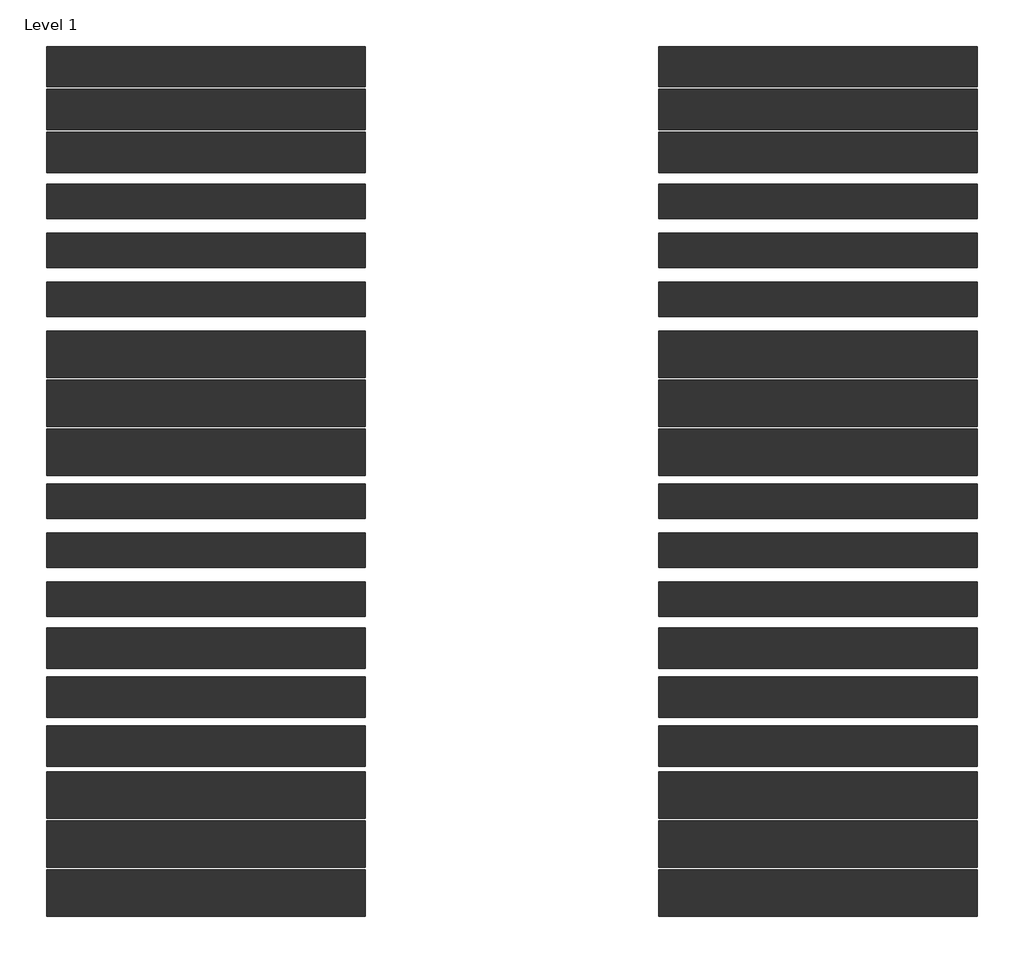
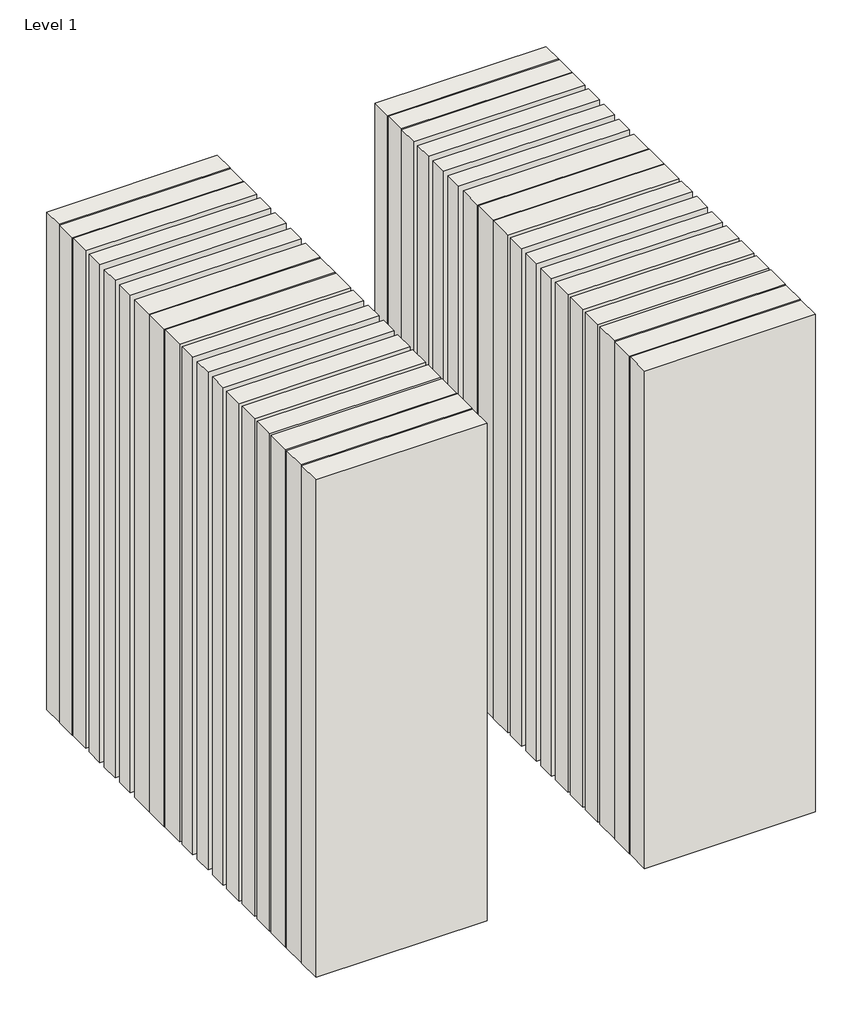
# One storey: 36 walls.
"""IFC4 building model written with IfcOpenShell, lengths in millimetres."""

from ifc_helpers import new_model, si_unit, origin, origin_with_axes, place, context, project, spatial, polyline, outline, extrude, element, save

model = new_model("IFC4")

# Units and contexts
model_context = context("Model", 3, world=origin())
ifc_project = project(units=[si_unit("LENGTHUNIT", "METRE", prefix="MILLI")], contexts=[model_context])

# Site, building, storey
site = spatial("IfcSite", under=ifc_project)
building = spatial("IfcBuilding", under=site)
storey = spatial("IfcBuildingStorey", under=building, Name="Level 1", Elevation=0.0)

# Walls
placement = place(None, origin())
element("IfcWall", 1, at=placement, inside=storey, context=model_context, shape_type="SweptSolid", body=[
    extrude(outline(polyline([(-16904.1464237, 3221.4042935), (-19504.1464237, 3221.4042935), (-19504.1464237, 3551.4042935), (-16904.1464237, 3551.4042935), (-16904.1464237, 3221.4042935)])), origin_with_axes(), (0.0, 0.0, 1.0), 8000.0),
])
element("IfcWall", 2, at=placement, inside=storey, context=model_context, shape_type="SweptSolid", body=[
    extrude(outline(polyline([(-16904.1464237, 2871.4042935), (-19504.1464237, 2871.4042935), (-19504.1464237, 3201.4042935), (-16904.1464237, 3201.4042935), (-16904.1464237, 2871.4042935)])), origin_with_axes(), (0.0, 0.0, 1.0), 8000.0),
])
element("IfcWall", 3, at=placement, inside=storey, context=model_context, shape_type="SweptSolid", body=[
    extrude(outline(polyline([(-16904.1464237, 2521.4042935), (-19504.1464237, 2521.4042935), (-19504.1464237, 2851.4042935), (-16904.1464237, 2851.4042935), (-16904.1464237, 2521.4042935)])), origin_with_axes(), (0.0, 0.0, 1.0), 8000.0),
])
element("IfcWall", 4, at=placement, inside=storey, context=model_context, shape_type="SweptSolid", body=[
    extrude(outline(polyline([(-16904.1464237, 2146.4042935), (-19504.1464237, 2146.4042935), (-19504.1464237, 2426.4042935), (-16904.1464237, 2426.4042935), (-16904.1464237, 2146.4042935)])), origin_with_axes(), (0.0, 0.0, 1.0), 8000.0),
])
element("IfcWall", 5, at=placement, inside=storey, context=model_context, shape_type="SweptSolid", body=[
    extrude(outline(polyline([(-16904.1464237, 1746.4042935), (-19504.1464237, 1746.4042935), (-19504.1464237, 2026.4042935), (-16904.1464237, 2026.4042935), (-16904.1464237, 1746.4042935)])), origin_with_axes(), (0.0, 0.0, 1.0), 8000.0),
])
element("IfcWall", 6, at=placement, inside=storey, context=model_context, shape_type="SweptSolid", body=[
    extrude(outline(polyline([(-16904.1464237, 1346.4042935), (-19504.1464237, 1346.4042935), (-19504.1464237, 1626.4042935), (-16904.1464237, 1626.4042935), (-16904.1464237, 1346.4042935)])), origin_with_axes(), (0.0, 0.0, 1.0), 8000.0),
])
element("IfcWall", 7, at=placement, inside=storey, context=model_context, shape_type="SweptSolid", body=[
    extrude(outline(polyline([(-16904.1464237, 846.4042935), (-19504.1464237, 846.4042935), (-19504.1464237, 1226.4042935), (-16904.1464237, 1226.4042935), (-16904.1464237, 846.4042935)])), origin_with_axes(), (0.0, 0.0, 1.0), 8000.0),
])
element("IfcWall", 8, at=placement, inside=storey, context=model_context, shape_type="SweptSolid", body=[
    extrude(outline(polyline([(-16904.1464237, 446.4042935), (-19504.1464237, 446.4042935), (-19504.1464237, 826.4042935), (-16904.1464237, 826.4042935), (-16904.1464237, 446.4042935)])), origin_with_axes(), (0.0, 0.0, 1.0), 8000.0),
])
element("IfcWall", 9, at=placement, inside=storey, context=model_context, shape_type="SweptSolid", body=[
    extrude(outline(polyline([(-16904.1464237, 46.4042935), (-19504.1464237, 46.4042935), (-19504.1464237, 426.4042935), (-16904.1464237, 426.4042935), (-16904.1464237, 46.4042935)])), origin_with_axes(), (0.0, 0.0, 1.0), 8000.0),
])
element("IfcWall", 10, at=placement, inside=storey, context=model_context, shape_type="SweptSolid", body=[
    extrude(outline(polyline([(-16904.1464237, -303.5957065), (-19504.1464237, -303.5957065), (-19504.1464237, -23.5957065), (-16904.1464237, -23.5957065), (-16904.1464237, -303.5957065)])), origin_with_axes(), (0.0, 0.0, 1.0), 8000.0),
])
element("IfcWall", 11, at=placement, inside=storey, context=model_context, shape_type="SweptSolid", body=[
    extrude(outline(polyline([(-16904.1464237, -703.5957065), (-19504.1464237, -703.5957065), (-19504.1464237, -423.5957065), (-16904.1464237, -423.5957065), (-16904.1464237, -703.5957065)])), origin_with_axes(), (0.0, 0.0, 1.0), 8000.0),
])
element("IfcWall", 12, at=placement, inside=storey, context=model_context, shape_type="SweptSolid", body=[
    extrude(outline(polyline([(-16904.1464237, -1103.5957065), (-19504.1464237, -1103.5957065), (-19504.1464237, -823.5957065), (-16904.1464237, -823.5957065), (-16904.1464237, -1103.5957065)])), origin_with_axes(), (0.0, 0.0, 1.0), 8000.0),
])
element("IfcWall", 13, at=placement, inside=storey, context=model_context, shape_type="SweptSolid", body=[
    extrude(outline(polyline([(-16904.1464237, -1528.5957065), (-19504.1464237, -1528.5957065), (-19504.1464237, -1198.5957065), (-16904.1464237, -1198.5957065), (-16904.1464237, -1528.5957065)])), origin_with_axes(), (0.0, 0.0, 1.0), 8000.0),
])
element("IfcWall", 14, at=placement, inside=storey, context=model_context, shape_type="SweptSolid", body=[
    extrude(outline(polyline([(-16904.1464237, -1928.5957065), (-19504.1464237, -1928.5957065), (-19504.1464237, -1598.5957065), (-16904.1464237, -1598.5957065), (-16904.1464237, -1928.5957065)])), origin_with_axes(), (0.0, 0.0, 1.0), 8000.0),
])
element("IfcWall", 15, at=placement, inside=storey, context=model_context, shape_type="SweptSolid", body=[
    extrude(outline(polyline([(-16904.1464237, -2328.5957065), (-19504.1464237, -2328.5957065), (-19504.1464237, -1998.5957065), (-16904.1464237, -1998.5957065), (-16904.1464237, -2328.5957065)])), origin_with_axes(), (0.0, 0.0, 1.0), 8000.0),
])
element("IfcWall", 16, at=placement, inside=storey, context=model_context, shape_type="SweptSolid", body=[
    extrude(outline(polyline([(-16904.1464237, -2753.5957065), (-19504.1464237, -2753.5957065), (-19504.1464237, -2373.5957065), (-16904.1464237, -2373.5957065), (-16904.1464237, -2753.5957065)])), origin_with_axes(), (0.0, 0.0, 1.0), 8000.0),
])
element("IfcWall", 17, at=placement, inside=storey, context=model_context, shape_type="SweptSolid", body=[
    extrude(outline(polyline([(-16904.1464237, -3153.5957065), (-19504.1464237, -3153.5957065), (-19504.1464237, -2773.5957065), (-16904.1464237, -2773.5957065), (-16904.1464237, -3153.5957065)])), origin_with_axes(), (0.0, 0.0, 1.0), 8000.0),
])
element("IfcWall", 18, at=placement, inside=storey, context=model_context, shape_type="SweptSolid", body=[
    extrude(outline(polyline([(-16904.1464237, -3553.5957065), (-19504.1464237, -3553.5957065), (-19504.1464237, -3173.5957065), (-16904.1464237, -3173.5957065), (-16904.1464237, -3553.5957065)])), origin_with_axes(), (0.0, 0.0, 1.0), 8000.0),
])
element("IfcWall", 19, at=placement, inside=storey, context=model_context, shape_type="SweptSolid", body=[
    extrude(outline(polyline([(-11904.1464237, 3221.4042935), (-14504.1464237, 3221.4042935), (-14504.1464237, 3551.4042935), (-11904.1464237, 3551.4042935), (-11904.1464237, 3221.4042935)])), origin_with_axes(), (0.0, 0.0, 1.0), 8000.0),
])
element("IfcWall", 20, at=placement, inside=storey, context=model_context, shape_type="SweptSolid", body=[
    extrude(outline(polyline([(-11904.1464237, 2871.4042935), (-14504.1464237, 2871.4042935), (-14504.1464237, 3201.4042935), (-11904.1464237, 3201.4042935), (-11904.1464237, 2871.4042935)])), origin_with_axes(), (0.0, 0.0, 1.0), 8000.0),
])
element("IfcWall", 21, at=placement, inside=storey, context=model_context, shape_type="SweptSolid", body=[
    extrude(outline(polyline([(-11904.1464237, 2521.4042935), (-14504.1464237, 2521.4042935), (-14504.1464237, 2851.4042935), (-11904.1464237, 2851.4042935), (-11904.1464237, 2521.4042935)])), origin_with_axes(), (0.0, 0.0, 1.0), 8000.0),
])
element("IfcWall", 22, at=placement, inside=storey, context=model_context, shape_type="SweptSolid", body=[
    extrude(outline(polyline([(-11904.1464237, 2146.4042935), (-14504.1464237, 2146.4042935), (-14504.1464237, 2426.4042935), (-11904.1464237, 2426.4042935), (-11904.1464237, 2146.4042935)])), origin_with_axes(), (0.0, 0.0, 1.0), 8000.0),
])
element("IfcWall", 23, at=placement, inside=storey, context=model_context, shape_type="SweptSolid", body=[
    extrude(outline(polyline([(-11904.1464237, 1746.4042935), (-14504.1464237, 1746.4042935), (-14504.1464237, 2026.4042935), (-11904.1464237, 2026.4042935), (-11904.1464237, 1746.4042935)])), origin_with_axes(), (0.0, 0.0, 1.0), 8000.0),
])
element("IfcWall", 24, at=placement, inside=storey, context=model_context, shape_type="SweptSolid", body=[
    extrude(outline(polyline([(-11904.1464237, 1346.4042935), (-14504.1464237, 1346.4042935), (-14504.1464237, 1626.4042935), (-11904.1464237, 1626.4042935), (-11904.1464237, 1346.4042935)])), origin_with_axes(), (0.0, 0.0, 1.0), 8000.0),
])
element("IfcWall", 25, at=placement, inside=storey, context=model_context, shape_type="SweptSolid", body=[
    extrude(outline(polyline([(-11904.1464237, 846.4042935), (-14504.1464237, 846.4042935), (-14504.1464237, 1226.4042935), (-11904.1464237, 1226.4042935), (-11904.1464237, 846.4042935)])), origin_with_axes(), (0.0, 0.0, 1.0), 8000.0),
])
element("IfcWall", 26, at=placement, inside=storey, context=model_context, shape_type="SweptSolid", body=[
    extrude(outline(polyline([(-11904.1464237, 446.4042935), (-14504.1464237, 446.4042935), (-14504.1464237, 826.4042935), (-11904.1464237, 826.4042935), (-11904.1464237, 446.4042935)])), origin_with_axes(), (0.0, 0.0, 1.0), 8000.0),
])
element("IfcWall", 27, at=placement, inside=storey, context=model_context, shape_type="SweptSolid", body=[
    extrude(outline(polyline([(-11904.1464237, 46.4042935), (-14504.1464237, 46.4042935), (-14504.1464237, 426.4042935), (-11904.1464237, 426.4042935), (-11904.1464237, 46.4042935)])), origin_with_axes(), (0.0, 0.0, 1.0), 8000.0),
])
element("IfcWall", 28, at=placement, inside=storey, context=model_context, shape_type="SweptSolid", body=[
    extrude(outline(polyline([(-11904.1464237, -303.5957065), (-14504.1464237, -303.5957065), (-14504.1464237, -23.5957065), (-11904.1464237, -23.5957065), (-11904.1464237, -303.5957065)])), origin_with_axes(), (0.0, 0.0, 1.0), 8000.0),
])
element("IfcWall", 29, at=placement, inside=storey, context=model_context, shape_type="SweptSolid", body=[
    extrude(outline(polyline([(-11904.1464237, -703.5957065), (-14504.1464237, -703.5957065), (-14504.1464237, -423.5957065), (-11904.1464237, -423.5957065), (-11904.1464237, -703.5957065)])), origin_with_axes(), (0.0, 0.0, 1.0), 8000.0),
])
element("IfcWall", 30, at=placement, inside=storey, context=model_context, shape_type="SweptSolid", body=[
    extrude(outline(polyline([(-11904.1464237, -1103.5957065), (-14504.1464237, -1103.5957065), (-14504.1464237, -823.5957065), (-11904.1464237, -823.5957065), (-11904.1464237, -1103.5957065)])), origin_with_axes(), (0.0, 0.0, 1.0), 8000.0),
])
element("IfcWall", 31, at=placement, inside=storey, context=model_context, shape_type="SweptSolid", body=[
    extrude(outline(polyline([(-11904.1464237, -1528.5957065), (-14504.1464237, -1528.5957065), (-14504.1464237, -1198.5957065), (-11904.1464237, -1198.5957065), (-11904.1464237, -1528.5957065)])), origin_with_axes(), (0.0, 0.0, 1.0), 8000.0),
])
element("IfcWall", 32, at=placement, inside=storey, context=model_context, shape_type="SweptSolid", body=[
    extrude(outline(polyline([(-11904.1464237, -1928.5957065), (-14504.1464237, -1928.5957065), (-14504.1464237, -1598.5957065), (-11904.1464237, -1598.5957065), (-11904.1464237, -1928.5957065)])), origin_with_axes(), (0.0, 0.0, 1.0), 8000.0),
])
element("IfcWall", 33, at=placement, inside=storey, context=model_context, shape_type="SweptSolid", body=[
    extrude(outline(polyline([(-11904.1464237, -2328.5957065), (-14504.1464237, -2328.5957065), (-14504.1464237, -1998.5957065), (-11904.1464237, -1998.5957065), (-11904.1464237, -2328.5957065)])), origin_with_axes(), (0.0, 0.0, 1.0), 8000.0),
])
element("IfcWall", 34, at=placement, inside=storey, context=model_context, shape_type="SweptSolid", body=[
    extrude(outline(polyline([(-11904.1464237, -2753.5957065), (-14504.1464237, -2753.5957065), (-14504.1464237, -2373.5957065), (-11904.1464237, -2373.5957065), (-11904.1464237, -2753.5957065)])), origin_with_axes(), (0.0, 0.0, 1.0), 8000.0),
])
element("IfcWall", 35, at=placement, inside=storey, context=model_context, shape_type="SweptSolid", body=[
    extrude(outline(polyline([(-11904.1464237, -3153.5957065), (-14504.1464237, -3153.5957065), (-14504.1464237, -2773.5957065), (-11904.1464237, -2773.5957065), (-11904.1464237, -3153.5957065)])), origin_with_axes(), (0.0, 0.0, 1.0), 8000.0),
])
element("IfcWall", 36, at=placement, inside=storey, context=model_context, shape_type="SweptSolid", body=[
    extrude(outline(polyline([(-11904.1464237, -3553.5957065), (-14504.1464237, -3553.5957065), (-14504.1464237, -3173.5957065), (-11904.1464237, -3173.5957065), (-11904.1464237, -3553.5957065)])), origin_with_axes(), (0.0, 0.0, 1.0), 8000.0),
])

save(model, "model.ifc")
